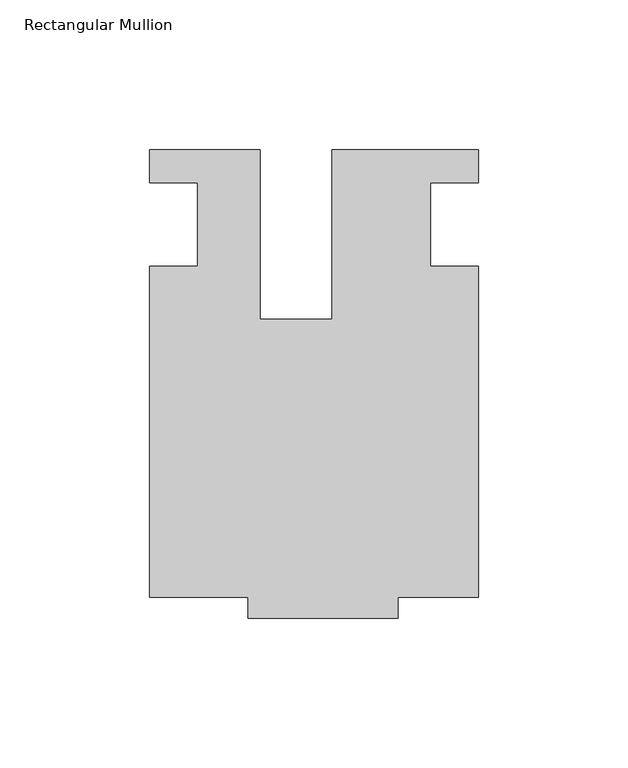
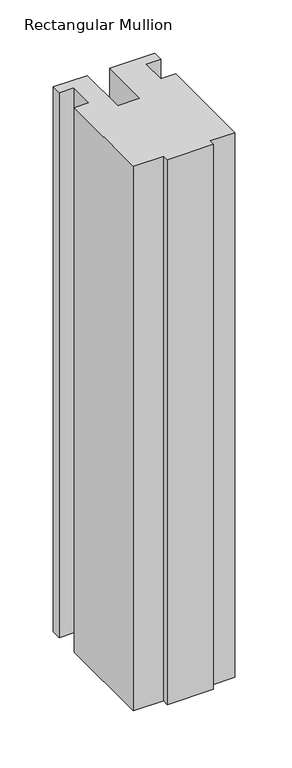
"""IFC4 building model written with IfcOpenShell, lengths in millimetres: member geometry, Rectangular Mullion."""

from ifc_helpers import new_model, si_unit, frame, origin, place, context, project, spatial, polyline, outline, extrude, source, transform, mapped, element, save


def rectangular_mullion_09e7047d(model_context):
    return source(origin(), model_context, "Body", "SweptSolid", [
        extrude(outline(polyline([(-24.0309529, 25.0), (-24.0309529, -31.6008577), (0.0028846, -31.6008577), (0.0028846, 25.0), (49.0, 25.0), (49.0, 14.0), (33.0, 14.0), (33.0, -14.0), (49.0, -14.0), (49.0, -124.5), (22.0028846, -124.5), (22.0028846, -131.5), (-27.9971154, -131.5), (-27.9971154, -124.4999439), (-60.9971154, -124.4999439), (-60.9971154, -13.9998907), (-44.9942308, -13.9998907), (-44.9942308, 14.0), (-60.9971154, 14.0), (-60.9971154, 25.0), (-24.0309529, 25.0)])), frame((0.0, 0.0, -623.717457), z_axis=(0.0, 0.0, 1.0), x_axis=(1.0, 0.0, 0.0)), (0.0, 0.0, 1.0), 623.717457),
    ])


if __name__ == "__main__":
    model = new_model("IFC4")
    model_context = context("Model", 3, world=origin())
    ifc_project = project(units=[si_unit("LENGTHUNIT", "METRE", prefix="MILLI")], contexts=[model_context])
    site = spatial("IfcSite", under=ifc_project)
    building = spatial("IfcBuilding", under=site)
    placement = place(None, origin())
    rectangular_mullion_shape = rectangular_mullion_09e7047d(model_context)
    element("IfcMember", 1, ObjectType="Rectangular Mullion", at=placement, inside=building, context=model_context, shape_type="MappedRepresentation", body=[
        mapped(rectangular_mullion_shape, transform((0.0, 0.0, 0.0), x_axis=(1.0, 0.0, 0.0), y_axis=(0.0, 1.0, 0.0), z_axis=(0.0, 0.0, 1.0))),
    ])
    save(model, "model.ifc")
